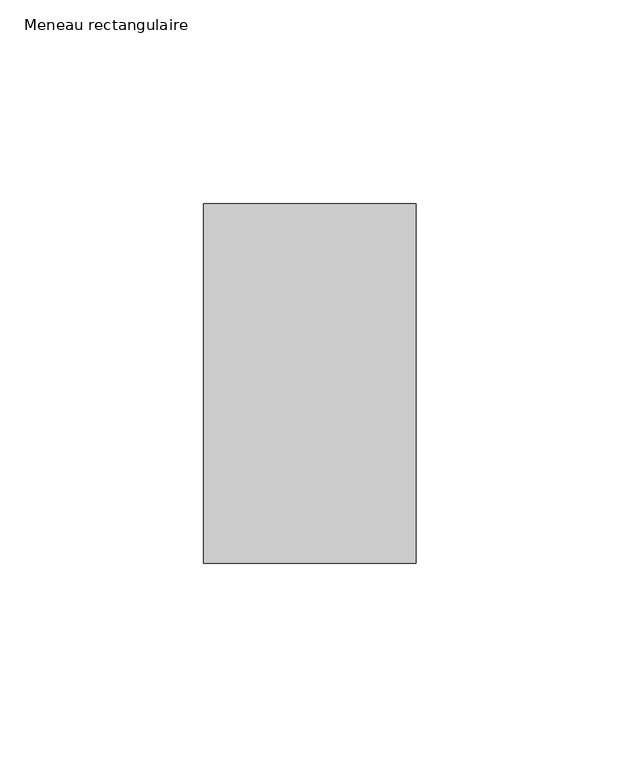
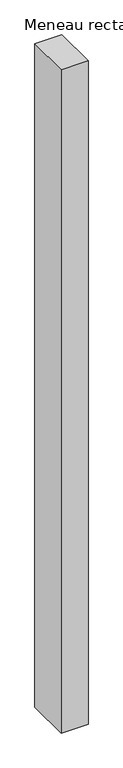
"""IFC4 building model written with IfcOpenShell, lengths in millimetres: member geometry, Meneau rectangulaire."""

from ifc_helpers import new_model, si_unit, frame, origin, place, context, project, spatial, polyline, outline, extrude, source, transform, mapped, element, save


def meneau_rectangulaire_1458f770(model_context):
    return source(origin(), model_context, "Body", "SweptSolid", [
        extrude(outline(polyline([(-52.0, 44.0), (0.0, 44.0), (0.0, -44.0), (-52.0, -44.0), (-52.0, 44.0)])), frame((0.0, 0.0, -1356.5833332), z_axis=(0.0, 0.0, 1.0), x_axis=(1.0, 0.0, 0.0)), (0.0, 0.0, 1.0), 1356.5833332),
    ])


if __name__ == "__main__":
    model = new_model("IFC4")
    model_context = context("Model", 3, world=origin())
    ifc_project = project(units=[si_unit("LENGTHUNIT", "METRE", prefix="MILLI")], contexts=[model_context])
    site = spatial("IfcSite", under=ifc_project)
    building = spatial("IfcBuilding", under=site)
    placement = place(None, origin())
    meneau_rectangulaire_shape = meneau_rectangulaire_1458f770(model_context)
    element("IfcMember", 1, ObjectType="Meneau rectangulaire", at=placement, inside=building, context=model_context, shape_type="MappedRepresentation", body=[
        mapped(meneau_rectangulaire_shape, transform((0.0, 0.0, 0.0), x_axis=(1.0, 0.0, 0.0), y_axis=(0.0, 1.0, 0.0), z_axis=(0.0, 0.0, 1.0))),
    ])
    save(model, "model.ifc")
